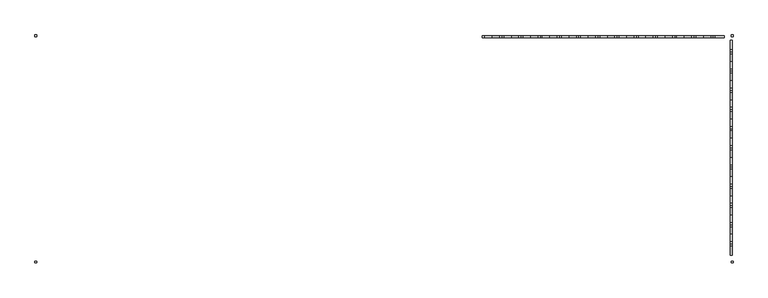
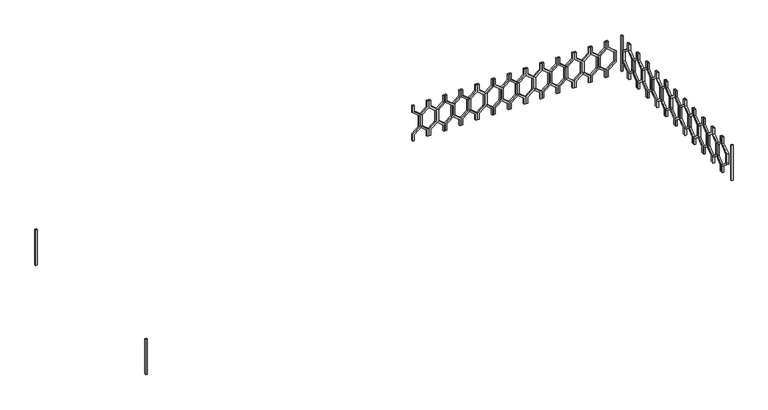
"""IFC4 building model written with IfcOpenShell, lengths in millimetres: railing geometry."""

import ifcopenshell
import ifcopenshell.guid

model = None  # the IFC model being written
_history = None  # IfcOwnerHistory: only IFC2X3 demands one
_inside = {}  # id of a spatial element -> (the spatial element, [elements in it])
_under = {}  # id of a project, library or spatial element -> (it, [spatial elements below it])
_declared = {}  # id of a project -> (the project, [libraries it declares])
_typed = {}  # id of a type object -> (the type object, [elements of that type])
_made_of = {}  # id of a material, layer set ... -> (it, [elements and type objects made of it])


def new_model(schema):
    """Start an empty IFC model of exactly this schema.

    Asked for "IFC4X3", IfcOpenShell would pick the latest addendum, in which some entities
    have other attributes; the version numbers below select the first issue.
    IFC2X3 requires an IfcOwnerHistory on every rooted entity: one is made here for all.
    """
    global model, _history
    if schema == "IFC4X3":
        model = ifcopenshell.file(schema_version=(4, 3, 0, 0))
    else:
        model = ifcopenshell.file(schema=schema)
    _inside.clear()
    _under.clear()
    _declared.clear()
    _typed.clear()
    _made_of.clear()
    _history = None
    if model.schema == "IFC2X3":
        org = make("IfcOrganization", Name="unknown")
        user = make(
            "IfcPersonAndOrganization",
            ThePerson=make("IfcPerson", FamilyName="unknown"),
            TheOrganization=org,
        )
        app = make(
            "IfcApplication",
            ApplicationDeveloper=org,
            Version="unknown",
            ApplicationFullName="unknown",
            ApplicationIdentifier="unknown",
        )
        _history = make(
            "IfcOwnerHistory",
            OwningUser=user,
            OwningApplication=app,
            ChangeAction="ADDED",
            CreationDate=0,
        )
    return model


def make(cls, **values):
    """One entity of the class cls with the attributes given. An attribute that is None is left unset."""
    return model.create_entity(
        cls, **{name: value for name, value in values.items() if value is not None}
    )


def rooted(cls, **values):
    """An entity with a GlobalId (a new one), such as an element, a storey or a relation."""
    return make(cls, GlobalId=ifcopenshell.guid.new(), OwnerHistory=_history, **values)


def si_unit(unit_type, name, prefix=None):
    """IfcSIUnit, for example si_unit("LENGTHUNIT", "METRE", prefix="MILLI")."""
    return make("IfcSIUnit", UnitType=unit_type, Prefix=prefix, Name=name)


def assignment(units):
    """IfcUnitAssignment: the units of a project."""
    return None if units is None else make("IfcUnitAssignment", Units=units)


def point(xyz):
    """IfcCartesianPoint."""
    return None if xyz is None else make("IfcCartesianPoint", Coordinates=xyz)


def direction(xyz):
    """IfcDirection."""
    return None if xyz is None else make("IfcDirection", DirectionRatios=xyz)


def frame(location, z_axis=None, x_axis=None):
    """IfcAxis2Placement3D, a coordinate frame: its origin and axes. An axis left out is left unset."""
    return make(
        "IfcAxis2Placement3D",
        Location=point(location),
        Axis=direction(z_axis),
        RefDirection=direction(x_axis),
    )


def origin():
    """The frame at (0, 0, 0) with its axes left unset."""
    return frame((0.0, 0.0, 0.0))


def place(relative_to, where):
    """IfcLocalPlacement: puts the frame where relative to a parent placement (None: the world)."""
    return make(
        "IfcLocalPlacement", PlacementRelTo=relative_to, RelativePlacement=where
    )


def context(
    kind, dimensions, precision=None, world=None, true_north=None, identifier=None
):
    """IfcGeometricRepresentationContext, for example the 3D "Model" context."""
    return make(
        "IfcGeometricRepresentationContext",
        ContextIdentifier=identifier,
        ContextType=kind,
        CoordinateSpaceDimension=dimensions,
        Precision=precision,
        WorldCoordinateSystem=world,
        TrueNorth=true_north,
    )


def project(units=None, contexts=None):
    """IfcProject with its units and contexts."""
    return rooted(
        "IfcProject",
        Name="project",
        RepresentationContexts=contexts,
        UnitsInContext=assignment(units),
    )


def spatial(cls, under=None, at=None, **own):
    """A site, building, storey or space (cls), placed at a placement, below another one or the project."""
    s = rooted(cls, ObjectPlacement=at, **own)
    if under is not None:
        _under.setdefault(under.id(), (under, []))[1].append(s)
    return s


def polyline(points):
    """IfcPolyline through the points."""
    return make("IfcPolyline", Points=[point(p) for p in points])


def outline(outer, holes=None, kind="AREA"):
    """IfcArbitraryClosedProfileDef: a profile drawn as a closed curve; with holes, ...WithVoids."""
    if holes is None:
        return make("IfcArbitraryClosedProfileDef", ProfileType=kind, OuterCurve=outer)
    return make(
        "IfcArbitraryProfileDefWithVoids",
        ProfileType=kind,
        OuterCurve=outer,
        InnerCurves=holes,
    )


def extrude(swept, where, along, depth):
    """IfcExtrudedAreaSolid: the profile swept, set in the frame where, extruded along a direction by depth."""
    return make(
        "IfcExtrudedAreaSolid",
        SweptArea=swept,
        Position=where,
        ExtrudedDirection=direction(along),
        Depth=depth,
    )


def shape(context_of_items, identifier, shape_type, items):
    """IfcShapeRepresentation: the items that make up one representation, for example the "Body"."""
    return make(
        "IfcShapeRepresentation",
        ContextOfItems=context_of_items,
        RepresentationIdentifier=identifier,
        RepresentationType=shape_type,
        Items=items,
    )


def source(mapping_origin, context_of_items, identifier, shape_type, items):
    """IfcRepresentationMap: a shape defined once, which mapped items show again and again."""
    return make(
        "IfcRepresentationMap",
        MappingOrigin=mapping_origin,
        MappedRepresentation=shape(context_of_items, identifier, shape_type, items),
    )


def transform(
    local_origin,
    x_axis=None,
    y_axis=None,
    z_axis=None,
    scale=None,
    scale2=None,
    scale3=None,
    uniform=True,
):
    """IfcCartesianTransformationOperator3D, or its non-uniform kind. x_axis, y_axis, z_axis: its Axis1, 2, 3."""
    if uniform:
        return make(
            "IfcCartesianTransformationOperator3D",
            Axis1=direction(x_axis),
            Axis2=direction(y_axis),
            LocalOrigin=point(local_origin),
            Scale=scale,
            Axis3=direction(z_axis),
        )
    return make(
        "IfcCartesianTransformationOperator3DnonUniform",
        Axis1=direction(x_axis),
        Axis2=direction(y_axis),
        LocalOrigin=point(local_origin),
        Scale=scale,
        Axis3=direction(z_axis),
        Scale2=scale2,
        Scale3=scale3,
    )


def mapped(mapping_source, mapping_target):
    """IfcMappedItem: shows the shape of a source again, moved by a transform."""
    return make(
        "IfcMappedItem", MappingSource=mapping_source, MappingTarget=mapping_target
    )


def made_of(thing, what):
    """Note that an element or type object is made of a material, layer set ...; save() writes the relation."""
    if what is not None:
        _made_of.setdefault(what.id(), (what, []))[1].append(thing)
    return thing


def element(
    cls,
    number,
    at=None,
    inside=None,
    cuts=None,
    type_object=None,
    material=None,
    context=None,
    identifier="Body",
    shape_type=None,
    held_by="IfcProductDefinitionShape",
    body=None,
    shapes=None,
    **own,
):
    """One element of the class cls, such as IfcWall. Its Tag is "e" and its number.

    at: its placement. inside: the storey or other place that contains it. cuts: it is an
    opening in that element (IfcRelVoidsElement). A single representation is given by context,
    identifier, shape_type and body (its items); several are given by shapes. held_by: the class
    of the entity that holds the representations. save() writes the other relations.
    """
    e = rooted(cls, Tag="e%d" % number, ObjectPlacement=at, **own)
    if body is not None:
        shapes = [shape(context, identifier, shape_type, body)]
    if shapes is not None:
        e.Representation = make(held_by, Representations=shapes)
    if inside is not None:
        _inside.setdefault(inside.id(), (inside, []))[1].append(e)
    if cuts is not None:
        rooted(
            "IfcRelVoidsElement", RelatingBuildingElement=cuts, RelatedOpeningElement=e
        )
    if type_object is not None:
        _typed.setdefault(type_object.id(), (type_object, []))[1].append(e)
    return made_of(e, material)


def aggregate(whole, parts):
    """IfcRelAggregates: a whole, such as a stair, and the parts it consists of."""
    return rooted("IfcRelAggregates", RelatingObject=whole, RelatedObjects=parts)


def save(model, path):
    """Write the relations noted so far, then the file.

    IfcRelAggregates (storeys below a building ...), IfcRelContainedInSpatialStructure (elements
    in a storey), IfcRelDefinesByType, IfcRelAssociatesMaterial and IfcRelDeclares: one each for
    every whole, place, type object, material and project.
    """
    for whole, parts in _under.values():
        aggregate(whole, parts)
    for where, things in _inside.values():
        rooted(
            "IfcRelContainedInSpatialStructure",
            RelatedElements=things,
            RelatingStructure=where,
        )
    for kind, things in _typed.values():
        rooted("IfcRelDefinesByType", RelatedObjects=things, RelatingType=kind)
    for what, things in _made_of.values():
        rooted("IfcRelAssociatesMaterial", RelatedObjects=things, RelatingMaterial=what)
    for by, libraries in _declared.values():
        rooted("IfcRelDeclares", RelatingContext=by, RelatedDefinitions=libraries)
    model.write(path)


def railing_9779e439(model_context):
    return source(origin(), model_context, "Body", "SweptSolid", [
        extrude(outline(polyline([(15460.0, -43314.9887159), (15370.448155, -43314.9887159), (15290.448155, -43215.9937665), (15169.551845, -43215.9937665), (15089.551845, -43314.9887159), (15000.0, -43314.9887159), (15000.0, -43294.9887159), (15080.0, -43294.9887159), (15160.0, -43195.9937665), (15300.0, -43195.9937665), (15380.0, -43294.9887159), (15460.0, -43294.9887159), (15460.0, -43314.9887159)])), frame((0.0, 3248.1079487, 0.0), z_axis=(0.0, 1.0, 0.0), x_axis=(0.0, 0.0, 1.0)), (0.0, 0.0, 1.0), 20.0),
        extrude(outline(polyline([(15460.0, -43114.9887159), (15460.0, -43134.9887159), (15380.0, -43134.9887159), (15300.0, -43233.9836653), (15160.0, -43233.9836653), (15080.0, -43134.9887159), (15000.0, -43134.9887159), (15000.0, -43114.9887159), (15089.551845, -43114.9887159), (15169.551845, -43213.9836653), (15290.448155, -43213.9836653), (15370.448155, -43114.9887159), (15460.0, -43114.9887159)])), frame((0.0, 3248.1079487, 0.0), z_axis=(0.0, 1.0, 0.0), x_axis=(0.0, 0.0, 1.0)), (0.0, 0.0, 1.0), 20.0),
        extrude(outline(polyline([(15460.0, -43114.9887159), (15370.448155, -43114.9887159), (15290.448155, -43015.9937665), (15169.551845, -43015.9937665), (15089.551845, -43114.9887159), (15000.0, -43114.9887159), (15000.0, -43094.9887159), (15080.0, -43094.9887159), (15160.0, -42995.9937665), (15300.0, -42995.9937665), (15380.0, -43094.9887159), (15460.0, -43094.9887159), (15460.0, -43114.9887159)])), frame((0.0, 3248.1079487, 0.0), z_axis=(0.0, 1.0, 0.0), x_axis=(0.0, 0.0, 1.0)), (0.0, 0.0, 1.0), 20.0),
        extrude(outline(polyline([(15460.0, -42914.9887159), (15460.0, -42934.9887159), (15380.0, -42934.9887159), (15300.0, -43033.9836653), (15160.0, -43033.9836653), (15080.0, -42934.9887159), (15000.0, -42934.9887159), (15000.0, -42914.9887159), (15089.551845, -42914.9887159), (15169.551845, -43013.9836653), (15290.448155, -43013.9836653), (15370.448155, -42914.9887159), (15460.0, -42914.9887159)])), frame((0.0, 3248.1079487, 0.0), z_axis=(0.0, 1.0, 0.0), x_axis=(0.0, 0.0, 1.0)), (0.0, 0.0, 1.0), 20.0),
        extrude(outline(polyline([(15460.0, -42914.9887159), (15370.448155, -42914.9887159), (15290.448155, -42815.9937665), (15169.551845, -42815.9937665), (15089.551845, -42914.9887159), (15000.0, -42914.9887159), (15000.0, -42894.9887159), (15080.0, -42894.9887159), (15160.0, -42795.9937665), (15300.0, -42795.9937665), (15380.0, -42894.9887159), (15460.0, -42894.9887159), (15460.0, -42914.9887159)])), frame((0.0, 3248.1079487, 0.0), z_axis=(0.0, 1.0, 0.0), x_axis=(0.0, 0.0, 1.0)), (0.0, 0.0, 1.0), 20.0),
        extrude(outline(polyline([(15460.0, -42714.9887159), (15460.0, -42734.9887159), (15380.0, -42734.9887159), (15300.0, -42833.9836653), (15160.0, -42833.9836653), (15080.0, -42734.9887159), (15000.0, -42734.9887159), (15000.0, -42714.9887159), (15089.551845, -42714.9887159), (15169.551845, -42813.9836653), (15290.448155, -42813.9836653), (15370.448155, -42714.9887159), (15460.0, -42714.9887159)])), frame((0.0, 3248.1079487, 0.0), z_axis=(0.0, 1.0, 0.0), x_axis=(0.0, 0.0, 1.0)), (0.0, 0.0, 1.0), 20.0),
        extrude(outline(polyline([(15460.0, -42714.9887159), (15370.448155, -42714.9887159), (15290.448155, -42615.9937665), (15169.551845, -42615.9937665), (15089.551845, -42714.9887159), (15000.0, -42714.9887159), (15000.0, -42694.9887159), (15080.0, -42694.9887159), (15160.0, -42595.9937665), (15300.0, -42595.9937665), (15380.0, -42694.9887159), (15460.0, -42694.9887159), (15460.0, -42714.9887159)])), frame((0.0, 3248.1079487, 0.0), z_axis=(0.0, 1.0, 0.0), x_axis=(0.0, 0.0, 1.0)), (0.0, 0.0, 1.0), 20.0),
        extrude(outline(polyline([(15460.0, -42514.9887159), (15460.0, -42534.9887159), (15380.0, -42534.9887159), (15300.0, -42633.9836653), (15160.0, -42633.9836653), (15080.0, -42534.9887159), (15000.0, -42534.9887159), (15000.0, -42514.9887159), (15089.551845, -42514.9887159), (15169.551845, -42613.9836653), (15290.448155, -42613.9836653), (15370.448155, -42514.9887159), (15460.0, -42514.9887159)])), frame((0.0, 3248.1079487, 0.0), z_axis=(0.0, 1.0, 0.0), x_axis=(0.0, 0.0, 1.0)), (0.0, 0.0, 1.0), 20.0),
        extrude(outline(polyline([(15460.0, -42514.9887159), (15370.448155, -42514.9887159), (15290.448155, -42415.9937665), (15169.551845, -42415.9937665), (15089.551845, -42514.9887159), (15000.0, -42514.9887159), (15000.0, -42494.9887159), (15080.0, -42494.9887159), (15160.0, -42395.9937665), (15300.0, -42395.9937665), (15380.0, -42494.9887159), (15460.0, -42494.9887159), (15460.0, -42514.9887159)])), frame((0.0, 3248.1079487, 0.0), z_axis=(0.0, 1.0, 0.0), x_axis=(0.0, 0.0, 1.0)), (0.0, 0.0, 1.0), 20.0),
        extrude(outline(polyline([(15460.0, -42314.9887159), (15460.0, -42334.9887159), (15380.0, -42334.9887159), (15300.0, -42433.9836653), (15160.0, -42433.9836653), (15080.0, -42334.9887159), (15000.0, -42334.9887159), (15000.0, -42314.9887159), (15089.551845, -42314.9887159), (15169.551845, -42413.9836653), (15290.448155, -42413.9836653), (15370.448155, -42314.9887159), (15460.0, -42314.9887159)])), frame((0.0, 3248.1079487, 0.0), z_axis=(0.0, 1.0, 0.0), x_axis=(0.0, 0.0, 1.0)), (0.0, 0.0, 1.0), 20.0),
        extrude(outline(polyline([(15460.0, -42314.9887159), (15370.448155, -42314.9887159), (15290.448155, -42215.9937665), (15169.551845, -42215.9937665), (15089.551845, -42314.9887159), (15000.0, -42314.9887159), (15000.0, -42294.9887159), (15080.0, -42294.9887159), (15160.0, -42195.9937665), (15300.0, -42195.9937665), (15380.0, -42294.9887159), (15460.0, -42294.9887159), (15460.0, -42314.9887159)])), frame((0.0, 3248.1079487, 0.0), z_axis=(0.0, 1.0, 0.0), x_axis=(0.0, 0.0, 1.0)), (0.0, 0.0, 1.0), 20.0),
        extrude(outline(polyline([(15460.0, -42114.9887159), (15460.0, -42134.9887159), (15380.0, -42134.9887159), (15300.0, -42233.9836653), (15160.0, -42233.9836653), (15080.0, -42134.9887159), (15000.0, -42134.9887159), (15000.0, -42114.9887159), (15089.551845, -42114.9887159), (15169.551845, -42213.9836653), (15290.448155, -42213.9836653), (15370.448155, -42114.9887159), (15460.0, -42114.9887159)])), frame((0.0, 3248.1079487, 0.0), z_axis=(0.0, 1.0, 0.0), x_axis=(0.0, 0.0, 1.0)), (0.0, 0.0, 1.0), 20.0),
        extrude(outline(polyline([(15460.0, -42114.9887159), (15370.448155, -42114.9887159), (15290.448155, -42015.9937665), (15169.551845, -42015.9937665), (15089.551845, -42114.9887159), (15000.0, -42114.9887159), (15000.0, -42094.9887159), (15080.0, -42094.9887159), (15160.0, -41995.9937665), (15300.0, -41995.9937665), (15380.0, -42094.9887159), (15460.0, -42094.9887159), (15460.0, -42114.9887159)])), frame((0.0, 3248.1079487, 0.0), z_axis=(0.0, 1.0, 0.0), x_axis=(0.0, 0.0, 1.0)), (0.0, 0.0, 1.0), 20.0),
        extrude(outline(polyline([(15460.0, -41914.9887159), (15460.0, -41934.9887159), (15380.0, -41934.9887159), (15300.0, -42033.9836653), (15160.0, -42033.9836653), (15080.0, -41934.9887159), (15000.0, -41934.9887159), (15000.0, -41914.9887159), (15089.551845, -41914.9887159), (15169.551845, -42013.9836653), (15290.448155, -42013.9836653), (15370.448155, -41914.9887159), (15460.0, -41914.9887159)])), frame((0.0, 3248.1079487, 0.0), z_axis=(0.0, 1.0, 0.0), x_axis=(0.0, 0.0, 1.0)), (0.0, 0.0, 1.0), 20.0),
        extrude(outline(polyline([(15460.0, -41914.9887159), (15370.448155, -41914.9887159), (15290.448155, -41815.9937665), (15169.551845, -41815.9937665), (15089.551845, -41914.9887159), (15000.0, -41914.9887159), (15000.0, -41894.9887159), (15080.0, -41894.9887159), (15160.0, -41795.9937665), (15300.0, -41795.9937665), (15380.0, -41894.9887159), (15460.0, -41894.9887159), (15460.0, -41914.9887159)])), frame((0.0, 3248.1079487, 0.0), z_axis=(0.0, 1.0, 0.0), x_axis=(0.0, 0.0, 1.0)), (0.0, 0.0, 1.0), 20.0),
        extrude(outline(polyline([(15460.0, -41714.9887159), (15460.0, -41734.9887159), (15380.0, -41734.9887159), (15300.0, -41833.9836653), (15160.0, -41833.9836653), (15080.0, -41734.9887159), (15000.0, -41734.9887159), (15000.0, -41714.9887159), (15089.551845, -41714.9887159), (15169.551845, -41813.9836653), (15290.448155, -41813.9836653), (15370.448155, -41714.9887159), (15460.0, -41714.9887159)])), frame((0.0, 3248.1079487, 0.0), z_axis=(0.0, 1.0, 0.0), x_axis=(0.0, 0.0, 1.0)), (0.0, 0.0, 1.0), 20.0),
        extrude(outline(polyline([(15460.0, -41714.9887159), (15370.448155, -41714.9887159), (15290.448155, -41615.9937665), (15169.551845, -41615.9937665), (15089.551845, -41714.9887159), (15000.0, -41714.9887159), (15000.0, -41694.9887159), (15080.0, -41694.9887159), (15160.0, -41595.9937665), (15300.0, -41595.9937665), (15380.0, -41694.9887159), (15460.0, -41694.9887159), (15460.0, -41714.9887159)])), frame((0.0, 3248.1079487, 0.0), z_axis=(0.0, 1.0, 0.0), x_axis=(0.0, 0.0, 1.0)), (0.0, 0.0, 1.0), 20.0),
        extrude(outline(polyline([(15460.0, -41514.9887159), (15460.0, -41534.9887159), (15380.0, -41534.9887159), (15300.0, -41633.9836653), (15160.0, -41633.9836653), (15080.0, -41534.9887159), (15000.0, -41534.9887159), (15000.0, -41514.9887159), (15089.551845, -41514.9887159), (15169.551845, -41613.9836653), (15290.448155, -41613.9836653), (15370.448155, -41514.9887159), (15460.0, -41514.9887159)])), frame((0.0, 3248.1079487, 0.0), z_axis=(0.0, 1.0, 0.0), x_axis=(0.0, 0.0, 1.0)), (0.0, 0.0, 1.0), 20.0),
        extrude(outline(polyline([(15460.0, -41514.9887159), (15370.448155, -41514.9887159), (15290.448155, -41415.9937665), (15169.551845, -41415.9937665), (15089.551845, -41514.9887159), (15000.0, -41514.9887159), (15000.0, -41494.9887159), (15080.0, -41494.9887159), (15160.0, -41395.9937665), (15300.0, -41395.9937665), (15380.0, -41494.9887159), (15460.0, -41494.9887159), (15460.0, -41514.9887159)])), frame((0.0, 3248.1079487, 0.0), z_axis=(0.0, 1.0, 0.0), x_axis=(0.0, 0.0, 1.0)), (0.0, 0.0, 1.0), 20.0),
        extrude(outline(polyline([(15460.0, -41314.9887159), (15460.0, -41334.9887159), (15380.0, -41334.9887159), (15300.0, -41433.9836653), (15160.0, -41433.9836653), (15080.0, -41334.9887159), (15000.0, -41334.9887159), (15000.0, -41314.9887159), (15089.551845, -41314.9887159), (15169.551845, -41413.9836653), (15290.448155, -41413.9836653), (15370.448155, -41314.9887159), (15460.0, -41314.9887159)])), frame((0.0, 3248.1079487, 0.0), z_axis=(0.0, 1.0, 0.0), x_axis=(0.0, 0.0, 1.0)), (0.0, 0.0, 1.0), 20.0),
        extrude(outline(polyline([(15460.0, -41314.9887159), (15370.448155, -41314.9887159), (15290.448155, -41215.9937665), (15169.551845, -41215.9937665), (15089.551845, -41314.9887159), (15000.0, -41314.9887159), (15000.0, -41294.9887159), (15080.0, -41294.9887159), (15160.0, -41195.9937665), (15300.0, -41195.9937665), (15380.0, -41294.9887159), (15460.0, -41294.9887159), (15460.0, -41314.9887159)])), frame((0.0, 3248.1079487, 0.0), z_axis=(0.0, 1.0, 0.0), x_axis=(0.0, 0.0, 1.0)), (0.0, 0.0, 1.0), 20.0),
        extrude(outline(polyline([(15460.0, -41114.9887159), (15460.0, -41134.9887159), (15380.0, -41134.9887159), (15300.0, -41233.9836653), (15160.0, -41233.9836653), (15080.0, -41134.9887159), (15000.0, -41134.9887159), (15000.0, -41114.9887159), (15089.551845, -41114.9887159), (15169.551845, -41213.9836653), (15290.448155, -41213.9836653), (15370.448155, -41114.9887159), (15460.0, -41114.9887159)])), frame((0.0, 3248.1079487, 0.0), z_axis=(0.0, 1.0, 0.0), x_axis=(0.0, 0.0, 1.0)), (0.0, 0.0, 1.0), 20.0),
        extrude(outline(polyline([(15460.0, -41114.9887159), (15370.448155, -41114.9887159), (15290.448155, -41015.9937665), (15169.551845, -41015.9937665), (15089.551845, -41114.9887159), (15000.0, -41114.9887159), (15000.0, -41094.9887159), (15080.0, -41094.9887159), (15160.0, -40995.9937665), (15300.0, -40995.9937665), (15380.0, -41094.9887159), (15460.0, -41094.9887159), (15460.0, -41114.9887159)])), frame((0.0, 3248.1079487, 0.0), z_axis=(0.0, 1.0, 0.0), x_axis=(0.0, 0.0, 1.0)), (0.0, 0.0, 1.0), 20.0),
        extrude(outline(polyline([(15460.0, -40914.9887159), (15460.0, -40934.9887159), (15380.0, -40934.9887159), (15300.0, -41033.9836653), (15160.0, -41033.9836653), (15080.0, -40934.9887159), (15000.0, -40934.9887159), (15000.0, -40914.9887159), (15089.551845, -40914.9887159), (15169.551845, -41013.9836653), (15290.448155, -41013.9836653), (15370.448155, -40914.9887159), (15460.0, -40914.9887159)])), frame((0.0, 3248.1079487, 0.0), z_axis=(0.0, 1.0, 0.0), x_axis=(0.0, 0.0, 1.0)), (0.0, 0.0, 1.0), 20.0),
        extrude(outline(polyline([(15460.0, -40914.9887159), (15370.448155, -40914.9887159), (15290.448155, -40815.9937665), (15169.551845, -40815.9937665), (15089.551845, -40914.9887159), (15000.0, -40914.9887159), (15000.0, -40894.9887159), (15080.0, -40894.9887159), (15160.0, -40795.9937665), (15300.0, -40795.9937665), (15380.0, -40894.9887159), (15460.0, -40894.9887159), (15460.0, -40914.9887159)])), frame((0.0, 3248.1079487, 0.0), z_axis=(0.0, 1.0, 0.0), x_axis=(0.0, 0.0, 1.0)), (0.0, 0.0, 1.0), 20.0),
        extrude(outline(polyline([(3103.1079487, 15460.0), (3123.1079487, 15460.0), (3123.1079487, 15380.0), (3222.102898, 15300.0), (3222.102898, 15160.0), (3123.1079487, 15080.0), (3123.1079487, 15000.0), (3103.1079487, 15000.0), (3103.1079487, 15089.551845), (3202.102898, 15169.551845), (3202.102898, 15290.448155), (3103.1079487, 15370.448155), (3103.1079487, 15460.0)])), frame((-40734.9887159, 0.0, 0.0), z_axis=(1.0, 0.0, 0.0), x_axis=(0.0, 1.0, 0.0)), (0.0, 0.0, 1.0), 20.0),
        extrude(outline(polyline([(3103.1079487, 15460.0), (3103.1079487, 15370.448155), (3004.1129993, 15290.448155), (3004.1129993, 15169.551845), (3103.1079487, 15089.551845), (3103.1079487, 15000.0), (3083.1079487, 15000.0), (3083.1079487, 15080.0), (2984.1129993, 15160.0), (2984.1129993, 15300.0), (3083.1079487, 15380.0), (3083.1079487, 15460.0), (3103.1079487, 15460.0)])), frame((-40734.9887159, 0.0, 0.0), z_axis=(1.0, 0.0, 0.0), x_axis=(0.0, 1.0, 0.0)), (0.0, 0.0, 1.0), 20.0),
        extrude(outline(polyline([(2903.1079487, 15460.0), (2923.1079487, 15460.0), (2923.1079487, 15380.0), (3022.102898, 15300.0), (3022.102898, 15160.0), (2923.1079487, 15080.0), (2923.1079487, 15000.0), (2903.1079487, 15000.0), (2903.1079487, 15089.551845), (3002.102898, 15169.551845), (3002.102898, 15290.448155), (2903.1079487, 15370.448155), (2903.1079487, 15460.0)])), frame((-40734.9887159, 0.0, 0.0), z_axis=(1.0, 0.0, 0.0), x_axis=(0.0, 1.0, 0.0)), (0.0, 0.0, 1.0), 20.0),
        extrude(outline(polyline([(2903.1079487, 15460.0), (2903.1079487, 15370.448155), (2804.1129993, 15290.448155), (2804.1129993, 15169.551845), (2903.1079487, 15089.551845), (2903.1079487, 15000.0), (2883.1079487, 15000.0), (2883.1079487, 15080.0), (2784.1129993, 15160.0), (2784.1129993, 15300.0), (2883.1079487, 15380.0), (2883.1079487, 15460.0), (2903.1079487, 15460.0)])), frame((-40734.9887159, 0.0, 0.0), z_axis=(1.0, 0.0, 0.0), x_axis=(0.0, 1.0, 0.0)), (0.0, 0.0, 1.0), 20.0),
        extrude(outline(polyline([(2703.1079487, 15460.0), (2723.1079487, 15460.0), (2723.1079487, 15380.0), (2822.102898, 15300.0), (2822.102898, 15160.0), (2723.1079487, 15080.0), (2723.1079487, 15000.0), (2703.1079487, 15000.0), (2703.1079487, 15089.551845), (2802.102898, 15169.551845), (2802.102898, 15290.448155), (2703.1079487, 15370.448155), (2703.1079487, 15460.0)])), frame((-40734.9887159, 0.0, 0.0), z_axis=(1.0, 0.0, 0.0), x_axis=(0.0, 1.0, 0.0)), (0.0, 0.0, 1.0), 20.0),
        extrude(outline(polyline([(2703.1079487, 15460.0), (2703.1079487, 15370.448155), (2604.1129993, 15290.448155), (2604.1129993, 15169.551845), (2703.1079487, 15089.551845), (2703.1079487, 15000.0), (2683.1079487, 15000.0), (2683.1079487, 15080.0), (2584.1129993, 15160.0), (2584.1129993, 15300.0), (2683.1079487, 15380.0), (2683.1079487, 15460.0), (2703.1079487, 15460.0)])), frame((-40734.9887159, 0.0, 0.0), z_axis=(1.0, 0.0, 0.0), x_axis=(0.0, 1.0, 0.0)), (0.0, 0.0, 1.0), 20.0),
        extrude(outline(polyline([(2503.1079487, 15460.0), (2523.1079487, 15460.0), (2523.1079487, 15380.0), (2622.102898, 15300.0), (2622.102898, 15160.0), (2523.1079487, 15080.0), (2523.1079487, 15000.0), (2503.1079487, 15000.0), (2503.1079487, 15089.551845), (2602.102898, 15169.551845), (2602.102898, 15290.448155), (2503.1079487, 15370.448155), (2503.1079487, 15460.0)])), frame((-40734.9887159, 0.0, 0.0), z_axis=(1.0, 0.0, 0.0), x_axis=(0.0, 1.0, 0.0)), (0.0, 0.0, 1.0), 20.0),
        extrude(outline(polyline([(2503.1079487, 15460.0), (2503.1079487, 15370.448155), (2404.1129993, 15290.448155), (2404.1129993, 15169.551845), (2503.1079487, 15089.551845), (2503.1079487, 15000.0), (2483.1079487, 15000.0), (2483.1079487, 15080.0), (2384.1129993, 15160.0), (2384.1129993, 15300.0), (2483.1079487, 15380.0), (2483.1079487, 15460.0), (2503.1079487, 15460.0)])), frame((-40734.9887159, 0.0, 0.0), z_axis=(1.0, 0.0, 0.0), x_axis=(0.0, 1.0, 0.0)), (0.0, 0.0, 1.0), 20.0),
        extrude(outline(polyline([(2303.1079487, 15460.0), (2323.1079487, 15460.0), (2323.1079487, 15380.0), (2422.102898, 15300.0), (2422.102898, 15160.0), (2323.1079487, 15080.0), (2323.1079487, 15000.0), (2303.1079487, 15000.0), (2303.1079487, 15089.551845), (2402.102898, 15169.551845), (2402.102898, 15290.448155), (2303.1079487, 15370.448155), (2303.1079487, 15460.0)])), frame((-40734.9887159, 0.0, 0.0), z_axis=(1.0, 0.0, 0.0), x_axis=(0.0, 1.0, 0.0)), (0.0, 0.0, 1.0), 20.0),
        extrude(outline(polyline([(2303.1079487, 15460.0), (2303.1079487, 15370.448155), (2204.1129993, 15290.448155), (2204.1129993, 15169.551845), (2303.1079487, 15089.551845), (2303.1079487, 15000.0), (2283.1079487, 15000.0), (2283.1079487, 15080.0), (2184.1129993, 15160.0), (2184.1129993, 15300.0), (2283.1079487, 15380.0), (2283.1079487, 15460.0), (2303.1079487, 15460.0)])), frame((-40734.9887159, 0.0, 0.0), z_axis=(1.0, 0.0, 0.0), x_axis=(0.0, 1.0, 0.0)), (0.0, 0.0, 1.0), 20.0),
        extrude(outline(polyline([(2103.1079487, 15460.0), (2123.1079487, 15460.0), (2123.1079487, 15380.0), (2222.102898, 15300.0), (2222.102898, 15160.0), (2123.1079487, 15080.0), (2123.1079487, 15000.0), (2103.1079487, 15000.0), (2103.1079487, 15089.551845), (2202.102898, 15169.551845), (2202.102898, 15290.448155), (2103.1079487, 15370.448155), (2103.1079487, 15460.0)])), frame((-40734.9887159, 0.0, 0.0), z_axis=(1.0, 0.0, 0.0), x_axis=(0.0, 1.0, 0.0)), (0.0, 0.0, 1.0), 20.0),
        extrude(outline(polyline([(2103.1079487, 15460.0), (2103.1079487, 15370.448155), (2004.1129993, 15290.448155), (2004.1129993, 15169.551845), (2103.1079487, 15089.551845), (2103.1079487, 15000.0), (2083.1079487, 15000.0), (2083.1079487, 15080.0), (1984.1129993, 15160.0), (1984.1129993, 15300.0), (2083.1079487, 15380.0), (2083.1079487, 15460.0), (2103.1079487, 15460.0)])), frame((-40734.9887159, 0.0, 0.0), z_axis=(1.0, 0.0, 0.0), x_axis=(0.0, 1.0, 0.0)), (0.0, 0.0, 1.0), 20.0),
        extrude(outline(polyline([(1903.1079487, 15460.0), (1923.1079487, 15460.0), (1923.1079487, 15380.0), (2022.102898, 15300.0), (2022.102898, 15160.0), (1923.1079487, 15080.0), (1923.1079487, 15000.0), (1903.1079487, 15000.0), (1903.1079487, 15089.551845), (2002.102898, 15169.551845), (2002.102898, 15290.448155), (1903.1079487, 15370.448155), (1903.1079487, 15460.0)])), frame((-40734.9887159, 0.0, 0.0), z_axis=(1.0, 0.0, 0.0), x_axis=(0.0, 1.0, 0.0)), (0.0, 0.0, 1.0), 20.0),
        extrude(outline(polyline([(1903.1079487, 15460.0), (1903.1079487, 15370.448155), (1804.1129993, 15290.448155), (1804.1129993, 15169.551845), (1903.1079487, 15089.551845), (1903.1079487, 15000.0), (1883.1079487, 15000.0), (1883.1079487, 15080.0), (1784.1129993, 15160.0), (1784.1129993, 15300.0), (1883.1079487, 15380.0), (1883.1079487, 15460.0), (1903.1079487, 15460.0)])), frame((-40734.9887159, 0.0, 0.0), z_axis=(1.0, 0.0, 0.0), x_axis=(0.0, 1.0, 0.0)), (0.0, 0.0, 1.0), 20.0),
        extrude(outline(polyline([(1703.1079487, 15460.0), (1723.1079487, 15460.0), (1723.1079487, 15380.0), (1822.102898, 15300.0), (1822.102898, 15160.0), (1723.1079487, 15080.0), (1723.1079487, 15000.0), (1703.1079487, 15000.0), (1703.1079487, 15089.551845), (1802.102898, 15169.551845), (1802.102898, 15290.448155), (1703.1079487, 15370.448155), (1703.1079487, 15460.0)])), frame((-40734.9887159, 0.0, 0.0), z_axis=(1.0, 0.0, 0.0), x_axis=(0.0, 1.0, 0.0)), (0.0, 0.0, 1.0), 20.0),
        extrude(outline(polyline([(1703.1079487, 15460.0), (1703.1079487, 15370.448155), (1604.1129993, 15290.448155), (1604.1129993, 15169.551845), (1703.1079487, 15089.551845), (1703.1079487, 15000.0), (1683.1079487, 15000.0), (1683.1079487, 15080.0), (1584.1129993, 15160.0), (1584.1129993, 15300.0), (1683.1079487, 15380.0), (1683.1079487, 15460.0), (1703.1079487, 15460.0)])), frame((-40734.9887159, 0.0, 0.0), z_axis=(1.0, 0.0, 0.0), x_axis=(0.0, 1.0, 0.0)), (0.0, 0.0, 1.0), 20.0),
        extrude(outline(polyline([(1503.1079487, 15460.0), (1523.1079487, 15460.0), (1523.1079487, 15380.0), (1622.102898, 15300.0), (1622.102898, 15160.0), (1523.1079487, 15080.0), (1523.1079487, 15000.0), (1503.1079487, 15000.0), (1503.1079487, 15089.551845), (1602.102898, 15169.551845), (1602.102898, 15290.448155), (1503.1079487, 15370.448155), (1503.1079487, 15460.0)])), frame((-40734.9887159, 0.0, 0.0), z_axis=(1.0, 0.0, 0.0), x_axis=(0.0, 1.0, 0.0)), (0.0, 0.0, 1.0), 20.0),
        extrude(outline(polyline([(1503.1079487, 15460.0), (1503.1079487, 15370.448155), (1404.1129993, 15290.448155), (1404.1129993, 15169.551845), (1503.1079487, 15089.551845), (1503.1079487, 15000.0), (1483.1079487, 15000.0), (1483.1079487, 15080.0), (1384.1129993, 15160.0), (1384.1129993, 15300.0), (1483.1079487, 15380.0), (1483.1079487, 15460.0), (1503.1079487, 15460.0)])), frame((-40734.9887159, 0.0, 0.0), z_axis=(1.0, 0.0, 0.0), x_axis=(0.0, 1.0, 0.0)), (0.0, 0.0, 1.0), 20.0),
        extrude(outline(polyline([(1303.1079487, 15460.0), (1323.1079487, 15460.0), (1323.1079487, 15380.0), (1422.102898, 15300.0), (1422.102898, 15160.0), (1323.1079487, 15080.0), (1323.1079487, 15000.0), (1303.1079487, 15000.0), (1303.1079487, 15089.551845), (1402.102898, 15169.551845), (1402.102898, 15290.448155), (1303.1079487, 15370.448155), (1303.1079487, 15460.0)])), frame((-40734.9887159, 0.0, 0.0), z_axis=(1.0, 0.0, 0.0), x_axis=(0.0, 1.0, 0.0)), (0.0, 0.0, 1.0), 20.0),
        extrude(outline(polyline([(1303.1079487, 15460.0), (1303.1079487, 15370.448155), (1204.1129993, 15290.448155), (1204.1129993, 15169.551845), (1303.1079487, 15089.551845), (1303.1079487, 15000.0), (1283.1079487, 15000.0), (1283.1079487, 15080.0), (1184.1129993, 15160.0), (1184.1129993, 15300.0), (1283.1079487, 15380.0), (1283.1079487, 15460.0), (1303.1079487, 15460.0)])), frame((-40734.9887159, 0.0, 0.0), z_axis=(1.0, 0.0, 0.0), x_axis=(0.0, 1.0, 0.0)), (0.0, 0.0, 1.0), 20.0),
        extrude(outline(polyline([(1103.1079487, 15460.0), (1123.1079487, 15460.0), (1123.1079487, 15380.0), (1222.102898, 15300.0), (1222.102898, 15160.0), (1123.1079487, 15080.0), (1123.1079487, 15000.0), (1103.1079487, 15000.0), (1103.1079487, 15089.551845), (1202.102898, 15169.551845), (1202.102898, 15290.448155), (1103.1079487, 15370.448155), (1103.1079487, 15460.0)])), frame((-40734.9887159, 0.0, 0.0), z_axis=(1.0, 0.0, 0.0), x_axis=(0.0, 1.0, 0.0)), (0.0, 0.0, 1.0), 20.0),
        extrude(outline(polyline([(1103.1079487, 15460.0), (1103.1079487, 15370.448155), (1004.1129993, 15290.448155), (1004.1129993, 15169.551845), (1103.1079487, 15089.551845), (1103.1079487, 15000.0), (1083.1079487, 15000.0), (1083.1079487, 15080.0), (984.1129993, 15160.0), (984.1129993, 15300.0), (1083.1079487, 15380.0), (1083.1079487, 15460.0), (1103.1079487, 15460.0)])), frame((-40734.9887159, 0.0, 0.0), z_axis=(1.0, 0.0, 0.0), x_axis=(0.0, 1.0, 0.0)), (0.0, 0.0, 1.0), 20.0),
        extrude(outline(polyline([(-47954.9887159, 3278.1079487), (-47954.9887159, 3258.1079487), (-47974.9887159, 3258.1079487), (-47974.9887159, 3278.1079487), (-47954.9887159, 3278.1079487)])), frame((0.0, 0.0, 15000.0), z_axis=(0.0, 0.0, 1.0), x_axis=(1.0, 0.0, 0.0)), (0.0, 0.0, 1.0), 460.0),
        extrude(outline(polyline([(-40704.9887159, 3258.1079487), (-40724.9887159, 3258.1079487), (-40724.9887159, 3278.1079487), (-40704.9887159, 3278.1079487), (-40704.9887159, 3258.1079487)])), frame((0.0, 0.0, 15000.0), z_axis=(0.0, 0.0, 1.0), x_axis=(1.0, 0.0, 0.0)), (0.0, 0.0, 1.0), 460.0),
        extrude(outline(polyline([(-47974.9887159, 923.1079487), (-47954.9887159, 923.1079487), (-47954.9887159, 903.1079487), (-47974.9887159, 903.1079487), (-47974.9887159, 923.1079487)])), frame((0.0, 0.0, 15000.0), z_axis=(0.0, 0.0, 1.0), x_axis=(1.0, 0.0, 0.0)), (0.0, 0.0, 1.0), 460.0),
        extrude(outline(polyline([(-40704.9887159, 903.1079487), (-40724.9887159, 903.1079487), (-40724.9887159, 923.1079487), (-40704.9887159, 923.1079487), (-40704.9887159, 903.1079487)])), frame((0.0, 0.0, 15000.0), z_axis=(0.0, 0.0, 1.0), x_axis=(1.0, 0.0, 0.0)), (0.0, 0.0, 1.0), 460.0),
    ])


if __name__ == "__main__":
    model = new_model("IFC4")
    model_context = context("Model", 3, world=origin())
    ifc_project = project(units=[si_unit("LENGTHUNIT", "METRE", prefix="MILLI")], contexts=[model_context])
    site = spatial("IfcSite", under=ifc_project)
    building = spatial("IfcBuilding", under=site)
    placement = place(None, origin())
    railing_shape = railing_9779e439(model_context)
    element("IfcRailing", 1, at=placement, inside=building, context=model_context, shape_type="MappedRepresentation", body=[
        mapped(railing_shape, transform((0.0, 0.0, 0.0), x_axis=(1.0, 0.0, 0.0), y_axis=(0.0, 1.0, 0.0), z_axis=(0.0, 0.0, 1.0))),
    ])
    save(model, "model.ifc")
